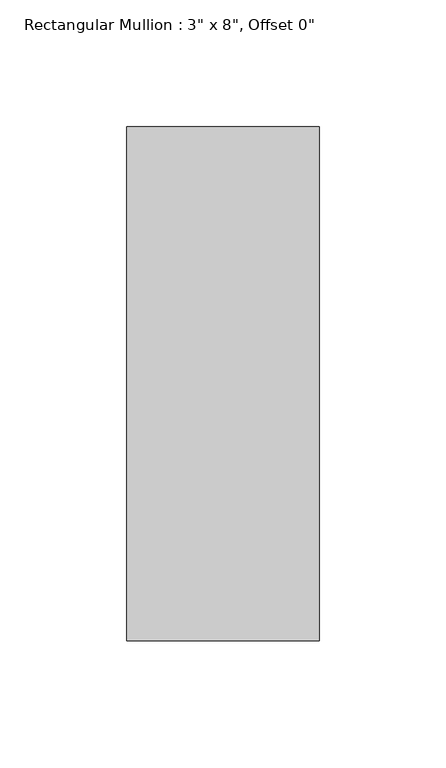
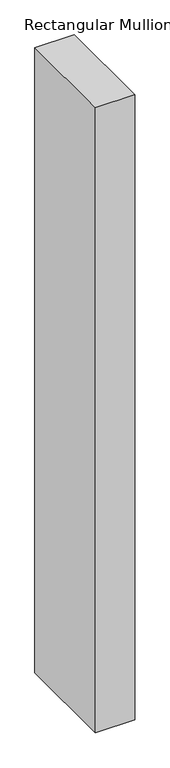
"""IFC4 building model written with IfcOpenShell, lengths in millimetres: member geometry."""

from ifc_helpers import new_model, si_unit, frame, origin, place, context, project, spatial, polyline, outline, extrude, source, transform, mapped, element, save


def member_af166b1d(model_context):
    return source(origin(), model_context, "Body", "SweptSolid", [
        extrude(outline(polyline([(0.0, 101.6), (0.0, -101.6), (-76.2, -101.6), (-76.2, 101.6), (0.0, 101.6)])), frame((0.0, 0.0, -1282.7), z_axis=(0.0, 0.0, 1.0), x_axis=(1.0, 0.0, 0.0)), (0.0, 0.0, 1.0), 1282.7),
    ])


if __name__ == "__main__":
    model = new_model("IFC4")
    model_context = context("Model", 3, world=origin())
    ifc_project = project(units=[si_unit("LENGTHUNIT", "METRE", prefix="MILLI")], contexts=[model_context])
    site = spatial("IfcSite", under=ifc_project)
    building = spatial("IfcBuilding", under=site)
    placement = place(None, origin())
    member_shape = member_af166b1d(model_context)
    element("IfcMember", 1, ObjectType="Rectangular Mullion : 3\" x 8\", Offset 0\"", at=placement, inside=building, context=model_context, shape_type="MappedRepresentation", body=[
        mapped(member_shape, transform((0.0, 0.0, 0.0), x_axis=(1.0, 0.0, 0.0), y_axis=(0.0, 1.0, 0.0), z_axis=(0.0, 0.0, 1.0))),
    ])
    save(model, "model.ifc")
